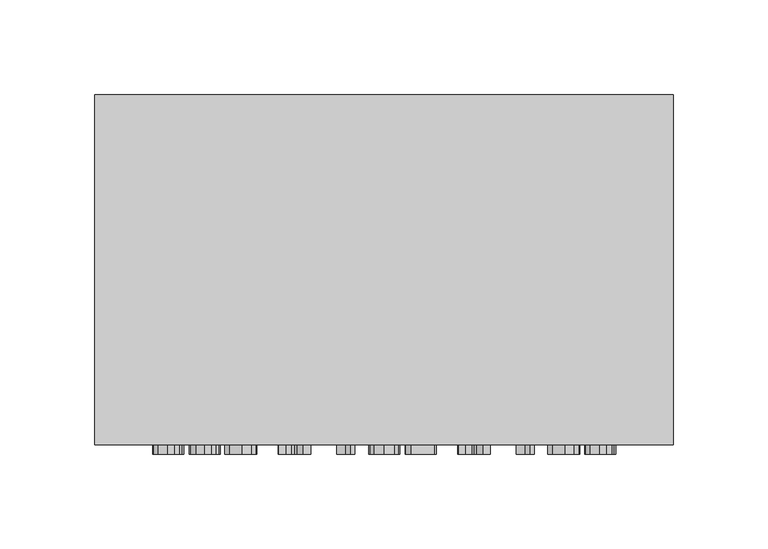
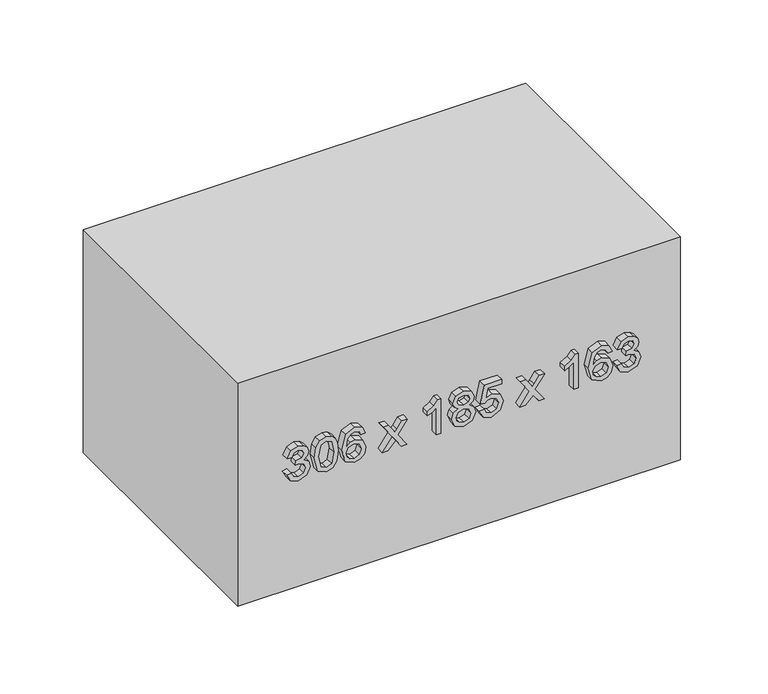
"""IFC4 building model written with IfcOpenShell, lengths in millimetres: furniture geometry."""

from ifc_helpers import new_model, si_unit, frame, origin, origin_with_axes, place, context, project, spatial, polyline, outline, extrude, source, transform, mapped, element, save


def furniture_a2c6ebd7(model_context):
    return source(origin(), model_context, "Body", "SweptSolid", [
        extrude(outline(polyline([(88.1709268, -77.5345978), (83.0757612, -75.0391316), (81.1075925, -69.5331644), (83.4129864, -63.4569801), (89.0293182, -61.0534844), (93.1128083, -62.2552323), (95.2587866, -65.6765349), (97.3373199, -63.1013609), (100.2313249, -62.2307068), (103.3981758, -63.1473461), (105.7526205, -65.7960965), (106.6140775, -69.5822154), (104.8666381, -74.5731478), (99.9431507, -77.1421904), (99.5507432, -74.0029307), (102.4937992, -72.4639577), (103.4748178, -69.4718508), (102.5029962, -66.5165321), (100.0473839, -65.3699665), (97.2760062, -66.9518591), (96.4114835, -71.0169551), (93.2722238, -71.366443), (93.6155804, -69.1652824), (92.3310591, -65.5968271), (89.0845005, -64.1927441), (85.6386724, -65.6090898), (84.2468522, -69.4227998), (85.2585277, -72.6632271), (88.5633343, -74.3953381), (88.1709268, -77.5345978)])), frame((0.0, -190.0, 0.0), z_axis=(0.0, 1.0, 0.0), x_axis=(0.0, 0.0, 1.0)), (0.0, 0.0, 1.0), 5.0),
        extrude(outline(polyline([(93.8547037, -58.3066322), (83.4988255, -55.8050346), (81.1075925, -50.0660755), (82.4840843, -45.4706163), (86.659545, -42.7390925), (93.8547037, -41.8255188), (99.756144, -42.3957359), (103.4717522, -43.8672639), (105.8047371, -46.3995183), (106.6140775, -50.0660755), (105.2467828, -54.6431407), (101.0805192, -57.3838615), (93.8547037, -58.3066322)]), holes=[polyline([(93.860835, -55.1673725), (101.7948234, -53.6467936), (103.4748178, -50.1028637), (101.5679628, -46.3872556), (93.860835, -44.9647785), (86.0709338, -46.4363065), (84.2468522, -50.0660755), (86.0648024, -53.6958445), (93.860835, -55.1673725)])]), frame((0.0, -190.0, 0.0), z_axis=(0.0, 1.0, 0.0), x_axis=(0.0, 0.0, 1.0)), (0.0, 0.0, 1.0), 5.0),
        extrude(outline(polyline([(99.9431507, -22.9899607), (104.8421126, -25.3076172), (106.6140775, -30.2678928), (103.7507293, -36.7242218), (93.2231729, -39.4710741), (83.9280212, -36.9970676), (81.1075925, -30.5989866), (82.1713846, -26.4848396), (85.2370679, -23.6337542), (89.5688784, -22.5975532), (95.3507571, -24.7987138), (97.5887059, -30.1330028), (96.7701685, -33.5635024), (94.2655052, -36.3318144), (99.8603772, -35.4397005), (102.7145284, -33.2967879), (103.4748178, -30.4640965), (102.1688368, -27.3187055), (99.5507432, -26.1292204), (99.9431507, -22.9899607)]), holes=[polyline([(89.6179294, -36.3318144), (93.115874, -34.7713816), (94.4494462, -30.973), (93.115874, -27.1255674), (89.4646452, -25.7368129), (85.6509352, -27.1439615), (84.2468522, -30.8442413), (84.9243682, -33.673867), (86.8986683, -35.6052474), (89.6179294, -36.3318144)])]), frame((0.0, -190.0, 0.0), z_axis=(0.0, 1.0, 0.0), x_axis=(0.0, 0.0, 1.0)), (0.0, 0.0, 1.0), 5.0),
        extrude(outline(polyline([(81.5, -11.2177368), (81.5, -7.440815), (87.0734122, -1.9655047), (81.5, 1.8788622), (81.5, 5.655784), (90.7706263, -0.7331), (99.9431507, 5.9010387), (99.9431507, 2.1241169), (95.148422, -1.3462366), (93.4439021, -2.5786413), (95.5285667, -4.0011184), (99.9431507, -7.0484076), (99.9431507, -10.8253294), (90.7706263, -4.5100218), (81.5, -11.2177368)])), frame((0.0, -190.0, 0.0), z_axis=(0.0, 1.0, 0.0), x_axis=(0.0, 0.0, 1.0)), (0.0, 0.0, 1.0), 5.0),
        extrude(outline(polyline([(81.5, 29.2002317), (106.6140775, 29.2002317), (106.6140775, 27.1768807), (103.2724827, 24.3840433), (100.3355582, 19.7824526), (97.3679767, 19.7824526), (98.952935, 23.0872592), (101.0713221, 26.060972), (81.5, 26.060972), (81.5, 29.2002317)])), frame((0.0, -190.0, 0.0), z_axis=(0.0, 1.0, 0.0), x_axis=(0.0, 0.0, 1.0)), (0.0, 0.0, 1.0), 5.0),
        extrude(outline(polyline([(95.332363, 41.2299729), (93.0514946, 37.8454586), (88.8944281, 36.6559735), (83.3363443, 38.9245791), (81.1075925, 44.8965302), (83.3271472, 50.8684812), (88.808589, 53.1370869), (92.8706193, 51.993587), (95.332363, 48.6550579), (97.2729405, 51.4356326), (100.2313249, 52.3522719), (104.7562735, 50.2921328), (106.6140775, 44.8536106), (104.799193, 39.4641394), (100.3171641, 37.4407884), (97.2821376, 38.3696904), (95.332363, 41.2299729)]), holes=[polyline([(89.0047927, 39.7952332), (92.3341248, 41.122674), (93.6646313, 44.8168224), (92.3157307, 48.6182697), (88.9066908, 49.9978272), (85.5620304, 48.6611892), (84.2468522, 44.9210556), (84.8722516, 42.1742034), (86.6411509, 40.319465), (89.0047927, 39.7952332)]), polyline([(100.2251936, 40.5800481), (102.5183247, 41.7112852), (103.4748178, 44.8965302), (102.4968649, 48.0725781), (100.0841721, 49.2130122), (97.7542528, 48.1093663), (96.803891, 44.9333184), (97.7603842, 41.6928911), (100.2251936, 40.5800481)])]), frame((0.0, -190.0, 0.0), z_axis=(0.0, 1.0, 0.0), x_axis=(0.0, 0.0, 1.0)), (0.0, 0.0, 1.0), 5.0),
        extrude(outline(polyline([(88.1709268, 55.8839391), (83.0420387, 58.33342), (81.1075925, 63.8731097), (84.1180935, 70.3968838), (89.9428918, 72.3650525), (95.7309018, 70.1792203), (97.9811134, 64.8112088), (96.1662289, 60.2188153), (103.0824104, 61.5615845), (103.0824104, 71.1878301), (106.2216701, 71.1878301), (106.2216701, 59.0231988), (93.2722238, 56.2763465), (92.8798164, 59.4156062), (94.2961621, 61.1783741), (94.8418537, 63.9344234), (93.4745589, 67.9106146), (89.7466881, 69.2257928), (85.7521027, 67.8217098), (84.2468522, 63.8853725), (85.3290384, 60.6050914), (88.5633343, 59.0231988), (88.1709268, 55.8839391)])), frame((0.0, -190.0, 0.0), z_axis=(0.0, 1.0, 0.0), x_axis=(0.0, 0.0, 1.0)), (0.0, 0.0, 1.0), 5.0),
        extrude(outline(polyline([(81.5, 83.7448689), (81.5, 87.5217907), (87.0734122, 92.997101), (81.5, 96.8414679), (81.5, 100.6183897), (90.7706263, 94.2295057), (99.9431507, 100.8636444), (99.9431507, 97.0867225), (95.148422, 93.6163691), (93.4439021, 92.3839644), (95.5285667, 90.9614873), (99.9431507, 87.9141981), (99.9431507, 84.1372763), (90.7706263, 90.4525839), (81.5, 83.7448689)])), frame((0.0, -190.0, 0.0), z_axis=(0.0, 1.0, 0.0), x_axis=(0.0, 0.0, 1.0)), (0.0, 0.0, 1.0), 5.0),
        extrude(outline(polyline([(81.5, 124.1628374), (106.6140775, 124.1628374), (106.6140775, 122.1394864), (103.2724827, 119.3466489), (100.3355582, 114.7450583), (97.3679767, 114.7450583), (98.952935, 118.0498649), (101.0713221, 121.0235777), (81.5, 121.0235777), (81.5, 124.1628374)])), frame((0.0, -190.0, 0.0), z_axis=(0.0, 1.0, 0.0), x_axis=(0.0, 0.0, 1.0)), (0.0, 0.0, 1.0), 5.0),
        extrude(outline(polyline([(99.9431507, 147.7072851), (104.8421126, 145.3896285), (106.6140775, 140.4293529), (103.7507293, 133.9730239), (93.2231729, 131.2261717), (83.9280212, 133.7001781), (81.1075925, 140.0982591), (82.1713846, 144.2124061), (85.2370679, 147.0634916), (89.5688784, 148.0996925), (95.3507571, 145.8985319), (97.5887059, 140.564243), (96.7701685, 137.1337434), (94.2655052, 134.3654314), (99.8603772, 135.2575452), (102.7145284, 137.4004579), (103.4748178, 140.2331492), (102.1688368, 143.3785403), (99.5507432, 144.5680254), (99.9431507, 147.7072851)]), holes=[polyline([(89.6179294, 134.3654314), (93.115874, 135.9258642), (94.4494462, 139.7242458), (93.115874, 143.5716783), (89.4646452, 144.9604329), (85.6509352, 143.5532842), (84.2468522, 139.8530045), (84.9243682, 137.0233788), (86.8986683, 135.0919983), (89.6179294, 134.3654314)])]), frame((0.0, -190.0, 0.0), z_axis=(0.0, 1.0, 0.0), x_axis=(0.0, 0.0, 1.0)), (0.0, 0.0, 1.0), 5.0),
        extrude(outline(polyline([(88.1709268, 150.8465448), (83.0757612, 153.342011), (81.1075925, 158.8479782), (83.4129864, 164.9241625), (89.0293182, 167.3276582), (93.1128083, 166.1259103), (95.2587866, 162.7046078), (97.3373199, 165.2797817), (100.2313249, 166.1504358), (103.3981758, 165.2337965), (105.7526205, 162.5850461), (106.6140775, 158.7989272), (104.8666381, 153.8079948), (99.9431507, 151.2389522), (99.5507432, 154.3782119), (102.4937992, 155.9171849), (103.4748178, 158.9092918), (102.5029962, 161.8646105), (100.0473839, 163.0111761), (97.2760062, 161.4292835), (96.4114835, 157.3641875), (93.2722238, 157.0146996), (93.6155804, 159.2158602), (92.3310591, 162.7843155), (89.0845005, 164.1883985), (85.6386724, 162.7720528), (84.2468522, 158.9583428), (85.2585277, 155.7179155), (88.5633343, 153.9858045), (88.1709268, 150.8465448)])), frame((0.0, -190.0, 0.0), z_axis=(0.0, 1.0, 0.0), x_axis=(0.0, 0.0, 1.0)), (0.0, 0.0, 1.0), 5.0),
        extrude(outline(polyline([(197.7003264, 0.0), (197.7003264, -185.0), (-108.2996736, -185.0), (-108.2996736, 0.0), (197.7003264, 0.0)])), origin_with_axes(), (0.0, 0.0, 1.0), 163.0),
    ])


if __name__ == "__main__":
    model = new_model("IFC4")
    model_context = context("Model", 3, world=origin())
    ifc_project = project(units=[si_unit("LENGTHUNIT", "METRE", prefix="MILLI")], contexts=[model_context])
    site = spatial("IfcSite", under=ifc_project)
    building = spatial("IfcBuilding", under=site)
    placement = place(None, origin())
    furniture_shape = furniture_a2c6ebd7(model_context)
    element("IfcFurniture", 1, at=placement, inside=building, context=model_context, shape_type="MappedRepresentation", body=[
        mapped(furniture_shape, transform((0.0, 0.0, 0.0), x_axis=(1.0, 0.0, 0.0), y_axis=(0.0, 1.0, 0.0), z_axis=(0.0, 0.0, 1.0))),
    ])
    save(model, "model.ifc")
